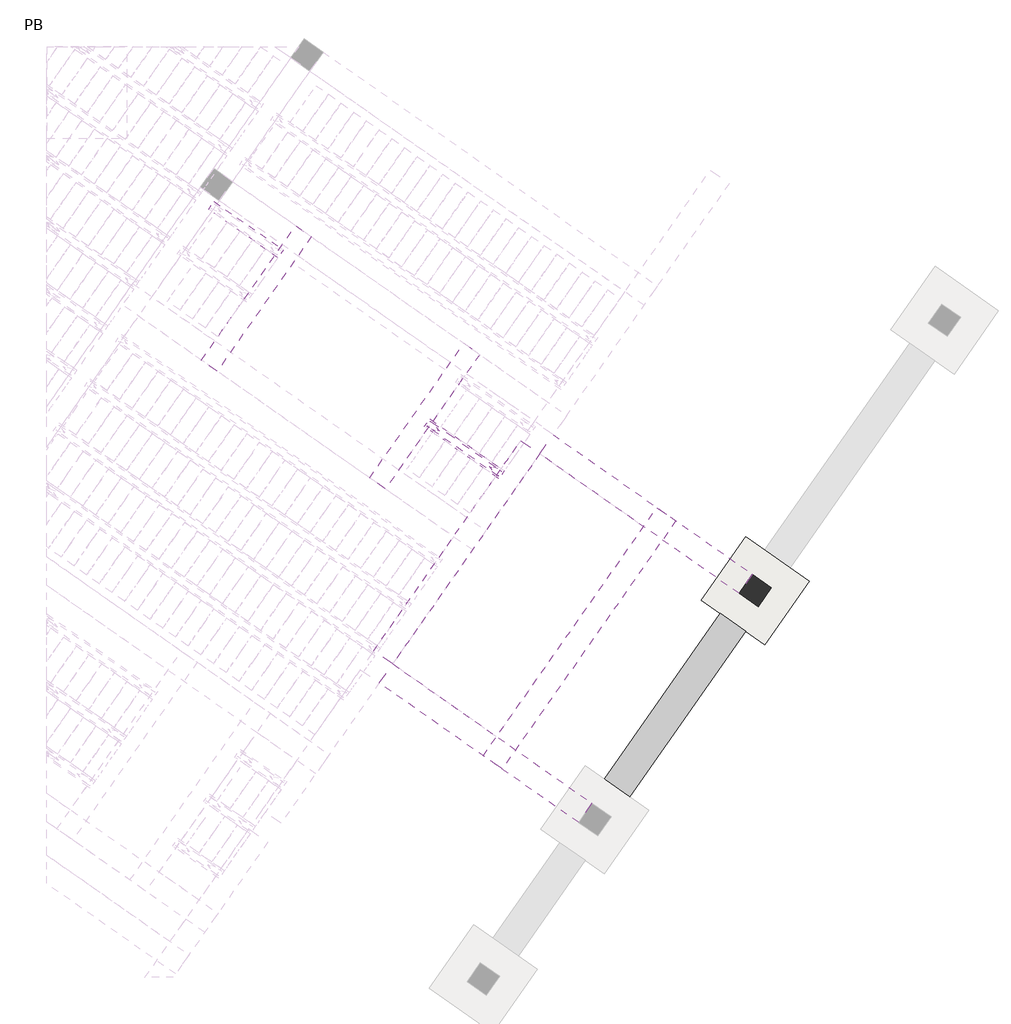
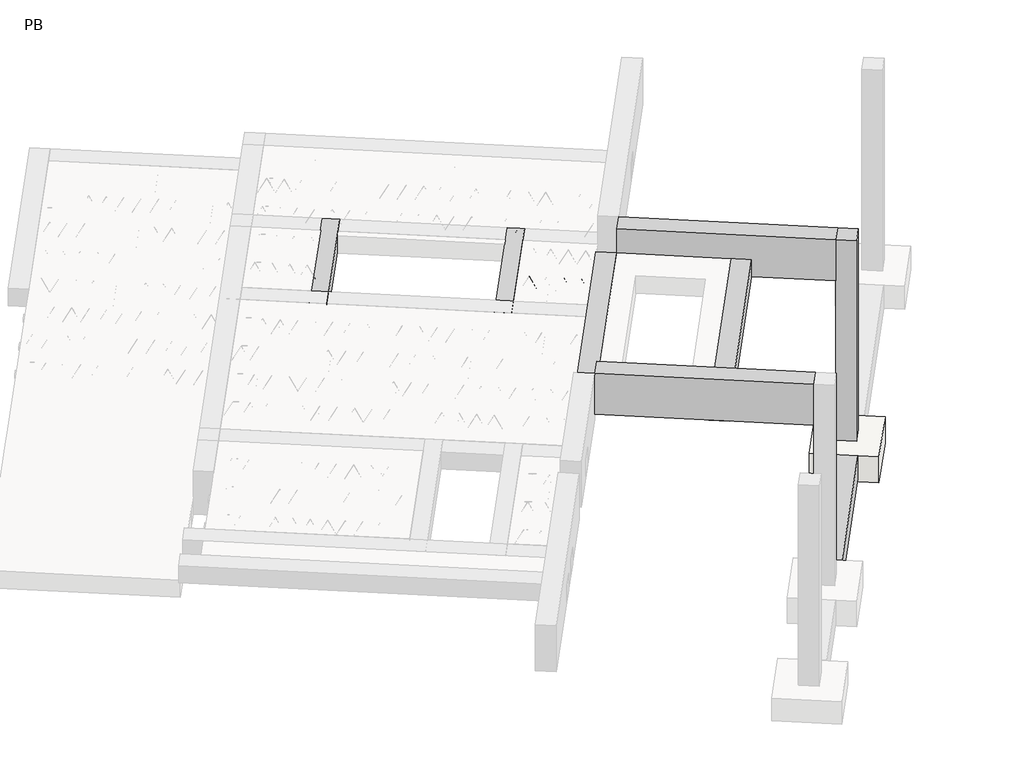
# One storey, part 42 of 56: 12 beams, 1 column, 1 footing.
"""IFC4 building model written with IfcOpenShell, lengths in millimetres."""

from ifc_helpers import new_model, si_unit, point, frame, origin, origin_2d, place, context, project, spatial, polyline, circle_curve, trimmed, segment, composite_curve, outline, extrude, element, save

model = new_model("IFC4")

# Units and contexts
model_context = context("Model", 3, world=origin())
ifc_project = project(units=[si_unit("LENGTHUNIT", "METRE", prefix="MILLI")], contexts=[model_context])

# Site, building, storey
site = spatial("IfcSite", under=ifc_project)
building = spatial("IfcBuilding", under=site)
storey = spatial("IfcBuildingStorey", under=building, Name="PB", Elevation=95940.0)

# Beams
placement = place(None, origin())
element("IfcBeam", 1, at=placement, inside=storey, context=model_context, shape_type="SweptSolid", body=[
    extrude(outline(polyline([(11166.0591227, -378.8143118), (10838.398305, -149.3837372), (12335.432804, 1988.6030983), (12663.0936217, 1759.1725237), (11166.0591227, -378.8143118)])), frame((0.0, 0.0, 96120.0), z_axis=(0.0, 0.0, 1.0), x_axis=(1.0, 0.0, 0.0)), (0.0, 0.0, 1.0), 400.0),
])
element("IfcBeam", 2, at=placement, inside=storey, context=model_context, shape_type="SweptSolid", body=[
    extrude(outline(polyline([(5728.764363, 7207.9389843), (5797.5935353, 7306.2372296), (6692.7092086, 6679.4704875), (6623.8800363, 6581.1722422), (5728.764363, 7207.9389843)])), frame((0.0, 0.0, 99220.0), z_axis=(0.0, 0.0, 1.0), x_axis=(1.0, 0.0, 0.0)), (0.0, 0.0, 1.0), 50.0),
    extrude(outline(composite_curve([segment(trimmed(circle_curve(origin_2d(), 2.5), [point((-2.5, 0.0))], [point((2.5000001, 0.0))], False, "CARTESIAN"), True, "CONTINUOUS"), segment(trimmed(circle_curve(origin_2d(), 2.5), [point((2.5000001, 0.0))], [point((-2.5, 0.0))], False, "CARTESIAN"), True, "CONTINUOUS")], self_intersect=False)), frame((6617.9862217, 6614.5977257, 99245.0), z_axis=(-0.8191520442696126, 0.5735764363787226, 0.0), x_axis=(0.5735764363787226, 0.8191520442696126, 0.0)), (0.0, 0.0, 1.0), 1044.734468),
    extrude(outline(composite_curve([segment(trimmed(circle_curve(origin_2d(), 2.5), [point((-2.5, 0.0))], [point((2.5000001, 0.0))], False, "CARTESIAN"), True, "CONTINUOUS"), segment(trimmed(circle_curve(origin_2d(), 2.5), [point((2.5000001, 0.0))], [point((-2.5, 0.0))], False, "CARTESIAN"), True, "CONTINUOUS")], self_intersect=False)), frame((6558.8764045, 6699.9347505, 99470.0), z_axis=(-0.8191520442696126, 0.5735764363787226, 0.0), x_axis=(0.5735764363787226, 0.8191520442696126, 0.0)), (0.0, 0.0, 1.0), 850.0),
    extrude(outline(composite_curve([segment(trimmed(circle_curve(origin_2d(), 2.5), [point((-2.5, 0.0))], [point((2.5, 0.0))], False, "CARTESIAN"), True, "CONTINUOUS"), segment(trimmed(circle_curve(origin_2d(), 2.5), [point((2.5, 0.0))], [point((-2.5, 0.0))], False, "CARTESIAN"), True, "CONTINUOUS")], self_intersect=False)), frame((6599.6640561, 6627.4270442, 99245.0), z_axis=(-0.3145304735701046, 0.38933448886848654, 0.8657304643902053), x_axis=(0.7778747638402499, 0.6284193279813057, 0.0)), (0.0, 0.0, 1.0), 259.8961331),
    extrude(outline(composite_curve([segment(trimmed(circle_curve(origin_2d(), 2.5), [point((2.5, 0.0))], [point((-2.5, 0.0))], False, "CARTESIAN"), True, "CONTINUOUS"), segment(trimmed(circle_curve(origin_2d(), 2.5), [point((-2.5, 0.0))], [point((2.5, 0.0))], False, "CARTESIAN"), True, "CONTINUOUS")], self_intersect=False)), frame((6394.876045, 6770.8211533, 99245.0), z_axis=(0.47343050384693375, -0.16240172737369005, 0.8657304643902051), x_axis=(-0.3244721671091268, -0.9458952440791246, 0.0)), (0.0, 0.0, 1.0), 259.8961331),
    extrude(outline(composite_curve([segment(trimmed(circle_curve(origin_2d(), 2.5), [point((-2.5, 0.0))], [point((2.5, 0.0))], False, "CARTESIAN"), True, "CONTINUOUS"), segment(trimmed(circle_curve(origin_2d(), 2.5), [point((2.5, 0.0))], [point((-2.5, 0.0))], False, "CARTESIAN"), True, "CONTINUOUS")], self_intersect=False)), frame((6394.876045, 6770.8211533, 99245.0), z_axis=(-0.3145304735701046, 0.38933448886848654, 0.8657304643902053), x_axis=(0.7778747638402499, 0.6284193279813057, 0.0)), (0.0, 0.0, 1.0), 259.8961331),
    extrude(outline(composite_curve([segment(trimmed(circle_curve(origin_2d(), 2.5), [point((2.5, 0.0))], [point((-2.5, 1e-07))], False, "CARTESIAN"), True, "CONTINUOUS"), segment(trimmed(circle_curve(origin_2d(), 2.5), [point((-2.5, 1e-07))], [point((2.5, 0.0))], False, "CARTESIAN"), True, "CONTINUOUS")], self_intersect=False)), frame((6190.0880339, 6914.2152624, 99245.0), z_axis=(0.47343050384693375, -0.16240172737369005, 0.8657304643902051), x_axis=(-0.3244721671091268, -0.9458952440791246, 0.0)), (0.0, 0.0, 1.0), 259.8961331),
    extrude(outline(composite_curve([segment(trimmed(circle_curve(origin_2d(), 2.5), [point((-2.5, 0.0))], [point((2.5, 0.0))], False, "CARTESIAN"), True, "CONTINUOUS"), segment(trimmed(circle_curve(origin_2d(), 2.5), [point((2.5, 0.0))], [point((-2.5, 0.0))], False, "CARTESIAN"), True, "CONTINUOUS")], self_intersect=False)), frame((6190.0880339, 6914.2152624, 99245.0), z_axis=(-0.3145304735701046, 0.38933448886848654, 0.8657304643902053), x_axis=(0.7778747638402499, 0.6284193279813057, 0.0)), (0.0, 0.0, 1.0), 259.8961331),
    extrude(outline(composite_curve([segment(trimmed(circle_curve(origin_2d(), 2.5), [point((2.5, 0.0))], [point((-2.5, 0.0))], False, "CARTESIAN"), True, "CONTINUOUS"), segment(trimmed(circle_curve(origin_2d(), 2.5), [point((-2.5, 0.0))], [point((2.5, 0.0))], False, "CARTESIAN"), True, "CONTINUOUS")], self_intersect=False)), frame((5985.3000229, 7057.6093715, 99245.0), z_axis=(0.47343050384693375, -0.16240172737369005, 0.8657304643902051), x_axis=(-0.3244721671091268, -0.9458952440791246, 0.0)), (0.0, 0.0, 1.0), 259.8961331),
    extrude(outline(composite_curve([segment(trimmed(circle_curve(origin_2d(), 2.5), [point((-2.5, 0.0))], [point((2.5, 0.0))], False, "CARTESIAN"), True, "CONTINUOUS"), segment(trimmed(circle_curve(origin_2d(), 2.5), [point((2.5, 0.0))], [point((-2.5, 0.0))], False, "CARTESIAN"), True, "CONTINUOUS")], self_intersect=False)), frame((5985.3000229, 7057.6093715, 99245.0), z_axis=(-0.3145304735701046, 0.38933448886848654, 0.8657304643902053), x_axis=(0.7778747638402499, 0.6284193279813057, 0.0)), (0.0, 0.0, 1.0), 259.8961331),
    extrude(outline(composite_curve([segment(trimmed(circle_curve(origin_2d(), 2.5), [point((2.5, 0.0))], [point((-2.5, 0.0))], False, "CARTESIAN"), True, "CONTINUOUS"), segment(trimmed(circle_curve(origin_2d(), 2.5), [point((-2.5, 0.0))], [point((2.5, 0.0))], False, "CARTESIAN"), True, "CONTINUOUS")], self_intersect=False)), frame((5780.5120118, 7201.0034806, 99245.0), z_axis=(0.47343050384693375, -0.16240172737369005, 0.8657304643902051), x_axis=(-0.3244721671091268, -0.9458952440791246, 0.0)), (0.0, 0.0, 1.0), 259.8961331),
    extrude(outline(composite_curve([segment(trimmed(circle_curve(origin_2d(), 2.5), [point((-2.5, 0.0))], [point((2.5, 0.0))], False, "CARTESIAN"), True, "CONTINUOUS"), segment(trimmed(circle_curve(origin_2d(), 2.5), [point((2.5, 0.0))], [point((-2.5, 0.0))], False, "CARTESIAN"), True, "CONTINUOUS")], self_intersect=False)), frame((6659.2837251, 6673.5766729, 99245.0), z_axis=(-0.8191520442696126, 0.5735764363787226, 0.0), x_axis=(0.5735764363787226, 0.8191520442696126, 0.0)), (0.0, 0.0, 1.0), 1044.734468),
    extrude(outline(composite_curve([segment(trimmed(circle_curve(origin_2d(), 2.5), [point((-2.5, 0.0))], [point((2.5, 0.0))], False, "CARTESIAN"), True, "CONTINUOUS"), segment(trimmed(circle_curve(origin_2d(), 2.5), [point((2.5, 0.0))], [point((-2.5, 0.0))], False, "CARTESIAN"), True, "CONTINUOUS")], self_intersect=False)), frame((6640.9615595, 6686.4059914, 99245.0), z_axis=(-0.47343050384693375, 0.16240172737369005, 0.8657304643902051), x_axis=(0.3244721671091268, 0.9458952440791246, 0.0)), (0.0, 0.0, 1.0), 259.8961331),
    extrude(outline(composite_curve([segment(trimmed(circle_curve(origin_2d(), 2.5), [point((2.5, 0.0))], [point((-2.5, 0.0))], False, "CARTESIAN"), True, "CONTINUOUS"), segment(trimmed(circle_curve(origin_2d(), 2.5), [point((-2.5, 0.0))], [point((2.5, 0.0))], False, "CARTESIAN"), True, "CONTINUOUS")], self_intersect=False)), frame((6436.1735484, 6829.8001005, 99245.0), z_axis=(0.3145304735701046, -0.38933448886848654, 0.8657304643902053), x_axis=(-0.7778747638402499, -0.6284193279813057, 0.0)), (0.0, 0.0, 1.0), 259.8961331),
    extrude(outline(composite_curve([segment(trimmed(circle_curve(origin_2d(), 2.5), [point((-2.5, 0.0))], [point((2.5, 0.0))], False, "CARTESIAN"), True, "CONTINUOUS"), segment(trimmed(circle_curve(origin_2d(), 2.5), [point((2.5, 0.0))], [point((-2.5, 0.0))], False, "CARTESIAN"), True, "CONTINUOUS")], self_intersect=False)), frame((6436.1735484, 6829.8001005, 99245.0), z_axis=(-0.47343050384693375, 0.16240172737369005, 0.8657304643902051), x_axis=(0.3244721671091268, 0.9458952440791246, 0.0)), (0.0, 0.0, 1.0), 259.8961331),
    extrude(outline(composite_curve([segment(trimmed(circle_curve(origin_2d(), 2.5), [point((2.5000001, -1e-07))], [point((-2.5, 0.0))], False, "CARTESIAN"), True, "CONTINUOUS"), segment(trimmed(circle_curve(origin_2d(), 2.5), [point((-2.5, 0.0))], [point((2.5000001, -1e-07))], False, "CARTESIAN"), True, "CONTINUOUS")], self_intersect=False)), frame((6231.3855374, 6973.1942096, 99245.0), z_axis=(0.3145304735701046, -0.38933448886848654, 0.8657304643902053), x_axis=(-0.7778747638402499, -0.6284193279813057, 0.0)), (0.0, 0.0, 1.0), 259.8961331),
    extrude(outline(composite_curve([segment(trimmed(circle_curve(origin_2d(), 2.5), [point((-2.5, 1e-07))], [point((2.5, 0.0))], False, "CARTESIAN"), True, "CONTINUOUS"), segment(trimmed(circle_curve(origin_2d(), 2.5), [point((2.5, 0.0))], [point((-2.5, 1e-07))], False, "CARTESIAN"), True, "CONTINUOUS")], self_intersect=False)), frame((6231.3855374, 6973.1942096, 99245.0), z_axis=(-0.47343050384693375, 0.16240172737369005, 0.8657304643902051), x_axis=(0.3244721671091268, 0.9458952440791246, 0.0)), (0.0, 0.0, 1.0), 259.8961331),
    extrude(outline(composite_curve([segment(trimmed(circle_curve(origin_2d(), 2.5), [point((2.5, 0.0))], [point((-2.5, 0.0))], False, "CARTESIAN"), True, "CONTINUOUS"), segment(trimmed(circle_curve(origin_2d(), 2.5), [point((-2.5, 0.0))], [point((2.5, 0.0))], False, "CARTESIAN"), True, "CONTINUOUS")], self_intersect=False)), frame((6026.5975263, 7116.5883187, 99245.0), z_axis=(0.3145304735701046, -0.38933448886848654, 0.8657304643902053), x_axis=(-0.7778747638402499, -0.6284193279813057, 0.0)), (0.0, 0.0, 1.0), 259.8961331),
    extrude(outline(composite_curve([segment(trimmed(circle_curve(origin_2d(), 2.5), [point((-2.5, 0.0))], [point((2.5, 0.0))], False, "CARTESIAN"), True, "CONTINUOUS"), segment(trimmed(circle_curve(origin_2d(), 2.5), [point((2.5, 0.0))], [point((-2.5, 0.0))], False, "CARTESIAN"), True, "CONTINUOUS")], self_intersect=False)), frame((6026.5975263, 7116.5883187, 99245.0), z_axis=(-0.47343050384693375, 0.16240172737369005, 0.8657304643902051), x_axis=(0.3244721671091268, 0.9458952440791246, 0.0)), (0.0, 0.0, 1.0), 259.8961331),
    extrude(outline(composite_curve([segment(trimmed(circle_curve(origin_2d(), 2.5), [point((2.5, 0.0))], [point((-2.5, 0.0))], False, "CARTESIAN"), True, "CONTINUOUS"), segment(trimmed(circle_curve(origin_2d(), 2.5), [point((-2.5, 0.0))], [point((2.5, 0.0))], False, "CARTESIAN"), True, "CONTINUOUS")], self_intersect=False)), frame((5821.8095152, 7259.9824278, 99245.0), z_axis=(0.3145304735701046, -0.38933448886848654, 0.8657304643902053), x_axis=(-0.7778747638402499, -0.6284193279813057, 0.0)), (0.0, 0.0, 1.0), 259.8961331),
])
element("IfcBeam", 3, at=placement, inside=storey, context=model_context, shape_type="SweptSolid", body=[
    extrude(outline(polyline([(8516.0022556, 4401.7517888), (8584.831428, 4500.0500341), (9545.548973, 3827.3483669), (9476.7198006, 3729.0501216), (8516.0022556, 4401.7517888)])), frame((0.0, 0.0, 99220.0), z_axis=(0.0, 0.0, 1.0), x_axis=(1.0, 0.0, 0.0)), (0.0, 0.0, 1.0), 50.0),
])
element("IfcBeam", 4, at=placement, inside=storey, context=model_context, shape_type="SweptSolid", body=[
    extrude(outline(composite_curve([segment(trimmed(circle_curve(origin_2d(), 2.5), [point((-2.4999999, 0.0))], [point((2.5, 0.0))], False, "CARTESIAN"), True, "CONTINUOUS"), segment(trimmed(circle_curve(origin_2d(), 2.5), [point((2.5, 0.0))], [point((-2.4999999, 0.0))], False, "CARTESIAN"), True, "CONTINUOUS")], self_intersect=False)), frame((9470.825986, 3762.4756051, 99245.0), z_axis=(-0.8191520442696126, 0.5735764363787226, 0.0), x_axis=(0.5735764363787226, 0.8191520442696126, 0.0)), (0.0, 0.0, 1.0), 1124.819566),
    extrude(outline(composite_curve([segment(trimmed(circle_curve(origin_2d(), 2.5), [point((-2.4999999, 0.0))], [point((2.5, 0.0))], False, "CARTESIAN"), True, "CONTINUOUS"), segment(trimmed(circle_curve(origin_2d(), 2.5), [point((2.5, 0.0))], [point((-2.4999999, 0.0))], False, "CARTESIAN"), True, "CONTINUOUS")], self_intersect=False)), frame((9378.9152329, 3870.7800925, 99470.0), z_axis=(-0.8191520442696126, 0.5735764363787226, 0.0), x_axis=(0.5735764363787226, 0.8191520442696126, 0.0)), (0.0, 0.0, 1.0), 850.0),
    extrude(outline(composite_curve([segment(trimmed(circle_curve(origin_2d(), 2.5), [point((-2.5, -1e-07))], [point((2.5, 0.0))], False, "CARTESIAN"), True, "CONTINUOUS"), segment(trimmed(circle_curve(origin_2d(), 2.5), [point((2.5, 0.0))], [point((-2.5, -1e-07))], False, "CARTESIAN"), True, "CONTINUOUS")], self_intersect=False)), frame((9419.7028846, 3798.2723862, 99245.0), z_axis=(-0.3145304735701046, 0.38933448886848654, 0.8657304643902053), x_axis=(0.7778747638402499, 0.6284193279813057, 0.0)), (0.0, 0.0, 1.0), 259.8961331),
    extrude(outline(composite_curve([segment(trimmed(circle_curve(origin_2d(), 2.5), [point((2.5, 0.0))], [point((-2.5, 0.0))], False, "CARTESIAN"), True, "CONTINUOUS"), segment(trimmed(circle_curve(origin_2d(), 2.5), [point((-2.5, 0.0))], [point((2.5, 0.0))], False, "CARTESIAN"), True, "CONTINUOUS")], self_intersect=False)), frame((9214.9148735, 3941.6664953, 99245.0), z_axis=(0.47343050384693375, -0.16240172737369005, 0.8657304643902051), x_axis=(-0.3244721671091268, -0.9458952440791246, 0.0)), (0.0, 0.0, 1.0), 259.8961331),
    extrude(outline(composite_curve([segment(trimmed(circle_curve(origin_2d(), 2.5), [point((-2.5, 0.0))], [point((2.5, 0.0))], False, "CARTESIAN"), True, "CONTINUOUS"), segment(trimmed(circle_curve(origin_2d(), 2.5), [point((2.5, 0.0))], [point((-2.5, 0.0))], False, "CARTESIAN"), True, "CONTINUOUS")], self_intersect=False)), frame((9214.9148735, 3941.6664953, 99245.0), z_axis=(-0.3145304735701046, 0.38933448886848654, 0.8657304643902053), x_axis=(0.7778747638402499, 0.6284193279813057, 0.0)), (0.0, 0.0, 1.0), 259.8961331),
    extrude(outline(composite_curve([segment(trimmed(circle_curve(origin_2d(), 2.5), [point((2.5, 0.0))], [point((-2.5, 0.0))], False, "CARTESIAN"), True, "CONTINUOUS"), segment(trimmed(circle_curve(origin_2d(), 2.5), [point((-2.5, 0.0))], [point((2.5, 0.0))], False, "CARTESIAN"), True, "CONTINUOUS")], self_intersect=False)), frame((9010.1268624, 4085.0606044, 99245.0), z_axis=(0.47343050384693375, -0.16240172737369005, 0.8657304643902051), x_axis=(-0.3244721671091268, -0.9458952440791246, 0.0)), (0.0, 0.0, 1.0), 259.8961331),
    extrude(outline(composite_curve([segment(trimmed(circle_curve(origin_2d(), 2.5), [point((-2.5, -1e-07))], [point((2.5, 0.0))], False, "CARTESIAN"), True, "CONTINUOUS"), segment(trimmed(circle_curve(origin_2d(), 2.5), [point((2.5, 0.0))], [point((-2.5, -1e-07))], False, "CARTESIAN"), True, "CONTINUOUS")], self_intersect=False)), frame((9010.1268624, 4085.0606044, 99245.0), z_axis=(-0.3145304735701046, 0.38933448886848654, 0.8657304643902053), x_axis=(0.7778747638402499, 0.6284193279813057, 0.0)), (0.0, 0.0, 1.0), 259.8961331),
    extrude(outline(composite_curve([segment(trimmed(circle_curve(origin_2d(), 2.5), [point((2.5, -1e-07))], [point((-2.5, 0.0))], False, "CARTESIAN"), True, "CONTINUOUS"), segment(trimmed(circle_curve(origin_2d(), 2.5), [point((-2.5, 0.0))], [point((2.5, -1e-07))], False, "CARTESIAN"), True, "CONTINUOUS")], self_intersect=False)), frame((8805.3388514, 4228.4547135, 99245.0), z_axis=(0.47343050384693375, -0.16240172737369005, 0.8657304643902051), x_axis=(-0.3244721671091268, -0.9458952440791246, 0.0)), (0.0, 0.0, 1.0), 259.8961331),
    extrude(outline(composite_curve([segment(trimmed(circle_curve(origin_2d(), 2.5), [point((-2.5000001, 0.0))], [point((2.5, 0.0))], False, "CARTESIAN"), True, "CONTINUOUS"), segment(trimmed(circle_curve(origin_2d(), 2.5), [point((2.5, 0.0))], [point((-2.5000001, 0.0))], False, "CARTESIAN"), True, "CONTINUOUS")], self_intersect=False)), frame((8805.3388514, 4228.4547135, 99245.0), z_axis=(-0.3145304735701046, 0.38933448886848654, 0.8657304643902053), x_axis=(0.7778747638402499, 0.6284193279813057, 0.0)), (0.0, 0.0, 1.0), 259.8961331),
    extrude(outline(composite_curve([segment(trimmed(circle_curve(origin_2d(), 2.5), [point((2.5000001, 0.0))], [point((-2.5, 0.0))], False, "CARTESIAN"), True, "CONTINUOUS"), segment(trimmed(circle_curve(origin_2d(), 2.5), [point((-2.5, 0.0))], [point((2.5000001, 0.0))], False, "CARTESIAN"), True, "CONTINUOUS")], self_intersect=False)), frame((8600.5508403, 4371.8488226, 99245.0), z_axis=(0.47343050384693375, -0.16240172737369005, 0.8657304643902051), x_axis=(-0.3244721671091268, -0.9458952440791246, 0.0)), (0.0, 0.0, 1.0), 259.8961331),
    extrude(outline(composite_curve([segment(trimmed(circle_curve(origin_2d(), 2.5), [point((-2.5, 0.0))], [point((2.5, 0.0))], False, "CARTESIAN"), True, "CONTINUOUS"), segment(trimmed(circle_curve(origin_2d(), 2.5), [point((2.5, 0.0))], [point((-2.5, 0.0))], False, "CARTESIAN"), True, "CONTINUOUS")], self_intersect=False)), frame((9512.1234895, 3821.4545523, 99245.0), z_axis=(-0.8191520442696126, 0.5735764363787226, 0.0), x_axis=(0.5735764363787226, 0.8191520442696126, 0.0)), (0.0, 0.0, 1.0), 1124.819566),
    extrude(outline(composite_curve([segment(trimmed(circle_curve(origin_2d(), 2.5), [point((-2.5000001, 0.0))], [point((2.5, 0.0))], False, "CARTESIAN"), True, "CONTINUOUS"), segment(trimmed(circle_curve(origin_2d(), 2.5), [point((2.5, 0.0))], [point((-2.5000001, 0.0))], False, "CARTESIAN"), True, "CONTINUOUS")], self_intersect=False)), frame((9461.000388, 3857.2513334, 99245.0), z_axis=(-0.47343050384693375, 0.16240172737369005, 0.8657304643902051), x_axis=(0.3244721671091268, 0.9458952440791246, 0.0)), (0.0, 0.0, 1.0), 259.8961331),
    extrude(outline(composite_curve([segment(trimmed(circle_curve(origin_2d(), 2.5), [point((2.5, 1e-07))], [point((-2.5, 0.0))], False, "CARTESIAN"), True, "CONTINUOUS"), segment(trimmed(circle_curve(origin_2d(), 2.5), [point((-2.5, 0.0))], [point((2.5, 1e-07))], False, "CARTESIAN"), True, "CONTINUOUS")], self_intersect=False)), frame((9256.2123769, 4000.6454425, 99245.0), z_axis=(0.3145304735701046, -0.38933448886848654, 0.8657304643902053), x_axis=(-0.7778747638402499, -0.6284193279813057, 0.0)), (0.0, 0.0, 1.0), 259.8961331),
    extrude(outline(composite_curve([segment(trimmed(circle_curve(origin_2d(), 2.5), [point((-2.5, 0.0))], [point((2.5, 0.0))], False, "CARTESIAN"), True, "CONTINUOUS"), segment(trimmed(circle_curve(origin_2d(), 2.5), [point((2.5, 0.0))], [point((-2.5, 0.0))], False, "CARTESIAN"), True, "CONTINUOUS")], self_intersect=False)), frame((9256.2123769, 4000.6454425, 99245.0), z_axis=(-0.47343050384693375, 0.16240172737369005, 0.8657304643902051), x_axis=(0.3244721671091268, 0.9458952440791246, 0.0)), (0.0, 0.0, 1.0), 259.8961331),
    extrude(outline(composite_curve([segment(trimmed(circle_curve(origin_2d(), 2.5), [point((2.5, 1e-07))], [point((-2.5000001, 1e-07))], False, "CARTESIAN"), True, "CONTINUOUS"), segment(trimmed(circle_curve(origin_2d(), 2.5), [point((-2.5000001, 1e-07))], [point((2.5, 1e-07))], False, "CARTESIAN"), True, "CONTINUOUS")], self_intersect=False)), frame((9051.4243658, 4144.0395516, 99245.0), z_axis=(0.3145304735701046, -0.38933448886848654, 0.8657304643902053), x_axis=(-0.7778747638402499, -0.6284193279813057, 0.0)), (0.0, 0.0, 1.0), 259.8961331),
    extrude(outline(composite_curve([segment(trimmed(circle_curve(origin_2d(), 2.5), [point((-2.5000001, 0.0))], [point((2.5, -1e-07))], False, "CARTESIAN"), True, "CONTINUOUS"), segment(trimmed(circle_curve(origin_2d(), 2.5), [point((2.5, -1e-07))], [point((-2.5000001, 0.0))], False, "CARTESIAN"), True, "CONTINUOUS")], self_intersect=False)), frame((9051.4243658, 4144.0395516, 99245.0), z_axis=(-0.47343050384693375, 0.16240172737369005, 0.8657304643902051), x_axis=(0.3244721671091268, 0.9458952440791246, 0.0)), (0.0, 0.0, 1.0), 259.8961331),
    extrude(outline(composite_curve([segment(trimmed(circle_curve(origin_2d(), 2.5), [point((2.5, 1e-07))], [point((-2.5, 0.0))], False, "CARTESIAN"), True, "CONTINUOUS"), segment(trimmed(circle_curve(origin_2d(), 2.5), [point((-2.5, 0.0))], [point((2.5, 1e-07))], False, "CARTESIAN"), True, "CONTINUOUS")], self_intersect=False)), frame((8846.6363548, 4287.4336607, 99245.0), z_axis=(0.3145304735701046, -0.38933448886848654, 0.8657304643902053), x_axis=(-0.7778747638402499, -0.6284193279813057, 0.0)), (0.0, 0.0, 1.0), 259.8961331),
    extrude(outline(composite_curve([segment(trimmed(circle_curve(origin_2d(), 2.5), [point((-2.5000001, 0.0))], [point((2.5, 0.0))], False, "CARTESIAN"), True, "CONTINUOUS"), segment(trimmed(circle_curve(origin_2d(), 2.5), [point((2.5, 0.0))], [point((-2.5000001, 0.0))], False, "CARTESIAN"), True, "CONTINUOUS")], self_intersect=False)), frame((8846.6363548, 4287.4336607, 99245.0), z_axis=(-0.47343050384693375, 0.16240172737369005, 0.8657304643902051), x_axis=(0.3244721671091268, 0.9458952440791246, 0.0)), (0.0, 0.0, 1.0), 259.8961331),
    extrude(outline(composite_curve([segment(trimmed(circle_curve(origin_2d(), 2.5), [point((2.5, 0.0))], [point((-2.5, -1e-07))], False, "CARTESIAN"), True, "CONTINUOUS"), segment(trimmed(circle_curve(origin_2d(), 2.5), [point((-2.5, -1e-07))], [point((2.5, 0.0))], False, "CARTESIAN"), True, "CONTINUOUS")], self_intersect=False)), frame((8641.8483437, 4430.8277697, 99245.0), z_axis=(0.3145304735701046, -0.38933448886848654, 0.8657304643902053), x_axis=(-0.7778747638402499, -0.6284193279813057, 0.0)), (0.0, 0.0, 1.0), 259.8961331),
])
element("IfcBeam", 5, at=placement, inside=storey, context=model_context, shape_type="SweptSolid", body=[
    extrude(outline(polyline([(8516.0022556, 4401.7517888), (8584.831428, 4500.0500341), (9545.548973, 3827.3483669), (9476.7198006, 3729.0501216), (8516.0022556, 4401.7517888)])), frame((0.0, 0.0, 99220.0), z_axis=(0.0, 0.0, 1.0), x_axis=(1.0, 0.0, 0.0)), (0.0, 0.0, 1.0), 50.0),
    extrude(outline(composite_curve([segment(trimmed(circle_curve(origin_2d(), 2.5), [point((-2.4999999, 0.0))], [point((2.5, 0.0))], False, "CARTESIAN"), True, "CONTINUOUS"), segment(trimmed(circle_curve(origin_2d(), 2.5), [point((2.5, 0.0))], [point((-2.4999999, 0.0))], False, "CARTESIAN"), True, "CONTINUOUS")], self_intersect=False)), frame((9470.825986, 3762.4756051, 99245.0), z_axis=(-0.8191520442696126, 0.5735764363787226, 0.0), x_axis=(0.5735764363787226, 0.8191520442696126, 0.0)), (0.0, 0.0, 1.0), 1124.819566),
    extrude(outline(composite_curve([segment(trimmed(circle_curve(origin_2d(), 2.5), [point((-2.4999999, 0.0))], [point((2.5, 0.0))], False, "CARTESIAN"), True, "CONTINUOUS"), segment(trimmed(circle_curve(origin_2d(), 2.5), [point((2.5, 0.0))], [point((-2.4999999, 0.0))], False, "CARTESIAN"), True, "CONTINUOUS")], self_intersect=False)), frame((9378.9152329, 3870.7800925, 99470.0), z_axis=(-0.8191520442696126, 0.5735764363787226, 0.0), x_axis=(0.5735764363787226, 0.8191520442696126, 0.0)), (0.0, 0.0, 1.0), 850.0),
    extrude(outline(composite_curve([segment(trimmed(circle_curve(origin_2d(), 2.5), [point((-2.5, -1e-07))], [point((2.5, 0.0))], False, "CARTESIAN"), True, "CONTINUOUS"), segment(trimmed(circle_curve(origin_2d(), 2.5), [point((2.5, 0.0))], [point((-2.5, -1e-07))], False, "CARTESIAN"), True, "CONTINUOUS")], self_intersect=False)), frame((9419.7028846, 3798.2723862, 99245.0), z_axis=(-0.3145304735701046, 0.38933448886848654, 0.8657304643902053), x_axis=(0.7778747638402499, 0.6284193279813057, 0.0)), (0.0, 0.0, 1.0), 259.8961331),
    extrude(outline(composite_curve([segment(trimmed(circle_curve(origin_2d(), 2.5), [point((2.5, 0.0))], [point((-2.5, 0.0))], False, "CARTESIAN"), True, "CONTINUOUS"), segment(trimmed(circle_curve(origin_2d(), 2.5), [point((-2.5, 0.0))], [point((2.5, 0.0))], False, "CARTESIAN"), True, "CONTINUOUS")], self_intersect=False)), frame((9214.9148735, 3941.6664953, 99245.0), z_axis=(0.47343050384693375, -0.16240172737369005, 0.8657304643902051), x_axis=(-0.3244721671091268, -0.9458952440791246, 0.0)), (0.0, 0.0, 1.0), 259.8961331),
    extrude(outline(composite_curve([segment(trimmed(circle_curve(origin_2d(), 2.5), [point((-2.5, 0.0))], [point((2.5, 0.0))], False, "CARTESIAN"), True, "CONTINUOUS"), segment(trimmed(circle_curve(origin_2d(), 2.5), [point((2.5, 0.0))], [point((-2.5, 0.0))], False, "CARTESIAN"), True, "CONTINUOUS")], self_intersect=False)), frame((9214.9148735, 3941.6664953, 99245.0), z_axis=(-0.3145304735701046, 0.38933448886848654, 0.8657304643902053), x_axis=(0.7778747638402499, 0.6284193279813057, 0.0)), (0.0, 0.0, 1.0), 259.8961331),
    extrude(outline(composite_curve([segment(trimmed(circle_curve(origin_2d(), 2.5), [point((2.5, 0.0))], [point((-2.5, 0.0))], False, "CARTESIAN"), True, "CONTINUOUS"), segment(trimmed(circle_curve(origin_2d(), 2.5), [point((-2.5, 0.0))], [point((2.5, 0.0))], False, "CARTESIAN"), True, "CONTINUOUS")], self_intersect=False)), frame((9010.1268624, 4085.0606044, 99245.0), z_axis=(0.47343050384693375, -0.16240172737369005, 0.8657304643902051), x_axis=(-0.3244721671091268, -0.9458952440791246, 0.0)), (0.0, 0.0, 1.0), 259.8961331),
    extrude(outline(composite_curve([segment(trimmed(circle_curve(origin_2d(), 2.5), [point((-2.5, -1e-07))], [point((2.5, 0.0))], False, "CARTESIAN"), True, "CONTINUOUS"), segment(trimmed(circle_curve(origin_2d(), 2.5), [point((2.5, 0.0))], [point((-2.5, -1e-07))], False, "CARTESIAN"), True, "CONTINUOUS")], self_intersect=False)), frame((9010.1268624, 4085.0606044, 99245.0), z_axis=(-0.3145304735701046, 0.38933448886848654, 0.8657304643902053), x_axis=(0.7778747638402499, 0.6284193279813057, 0.0)), (0.0, 0.0, 1.0), 259.8961331),
    extrude(outline(composite_curve([segment(trimmed(circle_curve(origin_2d(), 2.5), [point((2.5, -1e-07))], [point((-2.5, 0.0))], False, "CARTESIAN"), True, "CONTINUOUS"), segment(trimmed(circle_curve(origin_2d(), 2.5), [point((-2.5, 0.0))], [point((2.5, -1e-07))], False, "CARTESIAN"), True, "CONTINUOUS")], self_intersect=False)), frame((8805.3388514, 4228.4547135, 99245.0), z_axis=(0.47343050384693375, -0.16240172737369005, 0.8657304643902051), x_axis=(-0.3244721671091268, -0.9458952440791246, 0.0)), (0.0, 0.0, 1.0), 259.8961331),
    extrude(outline(composite_curve([segment(trimmed(circle_curve(origin_2d(), 2.5), [point((-2.5000001, 0.0))], [point((2.5, 0.0))], False, "CARTESIAN"), True, "CONTINUOUS"), segment(trimmed(circle_curve(origin_2d(), 2.5), [point((2.5, 0.0))], [point((-2.5000001, 0.0))], False, "CARTESIAN"), True, "CONTINUOUS")], self_intersect=False)), frame((8805.3388514, 4228.4547135, 99245.0), z_axis=(-0.3145304735701046, 0.38933448886848654, 0.8657304643902053), x_axis=(0.7778747638402499, 0.6284193279813057, 0.0)), (0.0, 0.0, 1.0), 259.8961331),
    extrude(outline(composite_curve([segment(trimmed(circle_curve(origin_2d(), 2.5), [point((2.5000001, 0.0))], [point((-2.5, 0.0))], False, "CARTESIAN"), True, "CONTINUOUS"), segment(trimmed(circle_curve(origin_2d(), 2.5), [point((-2.5, 0.0))], [point((2.5000001, 0.0))], False, "CARTESIAN"), True, "CONTINUOUS")], self_intersect=False)), frame((8600.5508403, 4371.8488226, 99245.0), z_axis=(0.47343050384693375, -0.16240172737369005, 0.8657304643902051), x_axis=(-0.3244721671091268, -0.9458952440791246, 0.0)), (0.0, 0.0, 1.0), 259.8961331),
    extrude(outline(composite_curve([segment(trimmed(circle_curve(origin_2d(), 2.5), [point((-2.5, 0.0))], [point((2.5, 0.0))], False, "CARTESIAN"), True, "CONTINUOUS"), segment(trimmed(circle_curve(origin_2d(), 2.5), [point((2.5, 0.0))], [point((-2.5, 0.0))], False, "CARTESIAN"), True, "CONTINUOUS")], self_intersect=False)), frame((9512.1234895, 3821.4545523, 99245.0), z_axis=(-0.8191520442696126, 0.5735764363787226, 0.0), x_axis=(0.5735764363787226, 0.8191520442696126, 0.0)), (0.0, 0.0, 1.0), 1124.819566),
    extrude(outline(composite_curve([segment(trimmed(circle_curve(origin_2d(), 2.5), [point((-2.5000001, 0.0))], [point((2.5, 0.0))], False, "CARTESIAN"), True, "CONTINUOUS"), segment(trimmed(circle_curve(origin_2d(), 2.5), [point((2.5, 0.0))], [point((-2.5000001, 0.0))], False, "CARTESIAN"), True, "CONTINUOUS")], self_intersect=False)), frame((9461.000388, 3857.2513334, 99245.0), z_axis=(-0.47343050384693375, 0.16240172737369005, 0.8657304643902051), x_axis=(0.3244721671091268, 0.9458952440791246, 0.0)), (0.0, 0.0, 1.0), 259.8961331),
    extrude(outline(composite_curve([segment(trimmed(circle_curve(origin_2d(), 2.5), [point((2.5, 1e-07))], [point((-2.5, 0.0))], False, "CARTESIAN"), True, "CONTINUOUS"), segment(trimmed(circle_curve(origin_2d(), 2.5), [point((-2.5, 0.0))], [point((2.5, 1e-07))], False, "CARTESIAN"), True, "CONTINUOUS")], self_intersect=False)), frame((9256.2123769, 4000.6454425, 99245.0), z_axis=(0.3145304735701046, -0.38933448886848654, 0.8657304643902053), x_axis=(-0.7778747638402499, -0.6284193279813057, 0.0)), (0.0, 0.0, 1.0), 259.8961331),
    extrude(outline(composite_curve([segment(trimmed(circle_curve(origin_2d(), 2.5), [point((-2.5, 0.0))], [point((2.5, 0.0))], False, "CARTESIAN"), True, "CONTINUOUS"), segment(trimmed(circle_curve(origin_2d(), 2.5), [point((2.5, 0.0))], [point((-2.5, 0.0))], False, "CARTESIAN"), True, "CONTINUOUS")], self_intersect=False)), frame((9256.2123769, 4000.6454425, 99245.0), z_axis=(-0.47343050384693375, 0.16240172737369005, 0.8657304643902051), x_axis=(0.3244721671091268, 0.9458952440791246, 0.0)), (0.0, 0.0, 1.0), 259.8961331),
    extrude(outline(composite_curve([segment(trimmed(circle_curve(origin_2d(), 2.5), [point((2.5, 1e-07))], [point((-2.5000001, 1e-07))], False, "CARTESIAN"), True, "CONTINUOUS"), segment(trimmed(circle_curve(origin_2d(), 2.5), [point((-2.5000001, 1e-07))], [point((2.5, 1e-07))], False, "CARTESIAN"), True, "CONTINUOUS")], self_intersect=False)), frame((9051.4243658, 4144.0395516, 99245.0), z_axis=(0.3145304735701046, -0.38933448886848654, 0.8657304643902053), x_axis=(-0.7778747638402499, -0.6284193279813057, 0.0)), (0.0, 0.0, 1.0), 259.8961331),
    extrude(outline(composite_curve([segment(trimmed(circle_curve(origin_2d(), 2.5), [point((-2.5000001, 0.0))], [point((2.5, -1e-07))], False, "CARTESIAN"), True, "CONTINUOUS"), segment(trimmed(circle_curve(origin_2d(), 2.5), [point((2.5, -1e-07))], [point((-2.5000001, 0.0))], False, "CARTESIAN"), True, "CONTINUOUS")], self_intersect=False)), frame((9051.4243658, 4144.0395516, 99245.0), z_axis=(-0.47343050384693375, 0.16240172737369005, 0.8657304643902051), x_axis=(0.3244721671091268, 0.9458952440791246, 0.0)), (0.0, 0.0, 1.0), 259.8961331),
    extrude(outline(composite_curve([segment(trimmed(circle_curve(origin_2d(), 2.5), [point((2.5, 1e-07))], [point((-2.5, 0.0))], False, "CARTESIAN"), True, "CONTINUOUS"), segment(trimmed(circle_curve(origin_2d(), 2.5), [point((-2.5, 0.0))], [point((2.5, 1e-07))], False, "CARTESIAN"), True, "CONTINUOUS")], self_intersect=False)), frame((8846.6363548, 4287.4336607, 99245.0), z_axis=(0.3145304735701046, -0.38933448886848654, 0.8657304643902053), x_axis=(-0.7778747638402499, -0.6284193279813057, 0.0)), (0.0, 0.0, 1.0), 259.8961331),
    extrude(outline(composite_curve([segment(trimmed(circle_curve(origin_2d(), 2.5), [point((-2.5000001, 0.0))], [point((2.5, 0.0))], False, "CARTESIAN"), True, "CONTINUOUS"), segment(trimmed(circle_curve(origin_2d(), 2.5), [point((2.5, 0.0))], [point((-2.5000001, 0.0))], False, "CARTESIAN"), True, "CONTINUOUS")], self_intersect=False)), frame((8846.6363548, 4287.4336607, 99245.0), z_axis=(-0.47343050384693375, 0.16240172737369005, 0.8657304643902051), x_axis=(0.3244721671091268, 0.9458952440791246, 0.0)), (0.0, 0.0, 1.0), 259.8961331),
    extrude(outline(composite_curve([segment(trimmed(circle_curve(origin_2d(), 2.5), [point((2.5, 0.0))], [point((-2.5, -1e-07))], False, "CARTESIAN"), True, "CONTINUOUS"), segment(trimmed(circle_curve(origin_2d(), 2.5), [point((-2.5, -1e-07))], [point((2.5, 0.0))], False, "CARTESIAN"), True, "CONTINUOUS")], self_intersect=False)), frame((8641.8483437, 4430.8277697, 99245.0), z_axis=(0.3145304735701046, -0.38933448886848654, 0.8657304643902053), x_axis=(-0.7778747638402499, -0.6284193279813057, 0.0)), (0.0, 0.0, 1.0), 259.8961331),
])
element("IfcBeam", 6, at=placement, inside=storey, context=model_context, shape_type="SweptSolid", body=[
    extrude(outline(polyline([(8917.5057611, 4975.1582198), (8986.3349334, 5073.4564651), (9947.0524785, 4400.7547979), (9878.2233061, 4302.4565526), (8917.5057611, 4975.1582198)])), frame((0.0, 0.0, 99220.0), z_axis=(0.0, 0.0, 1.0), x_axis=(1.0, 0.0, 0.0)), (0.0, 0.0, 1.0), 50.0),
])
element("IfcBeam", 7, at=placement, inside=storey, context=model_context, shape_type="SweptSolid", body=[
    extrude(outline(polyline([(8106.4667339, 1336.2642368), (7860.7211206, 1508.3371677), (9759.259125, 4219.7304343), (10005.0047383, 4047.6575033), (8106.4667339, 1336.2642368)])), frame((0.0, 0.0, 99220.0), z_axis=(0.0, 0.0, 1.0), x_axis=(1.0, 0.0, 0.0)), (0.0, 0.0, 1.0), 380.0),
])
element("IfcBeam", 8, at=placement, inside=storey, context=model_context, shape_type="SweptSolid", body=[
    extrude(outline(polyline([(9519.4530069, -19.3517833), (9273.7073936, 152.7211476), (11516.3912599, 3355.6056407), (11762.1368731, 3183.5327098), (9519.4530069, -19.3517833)])), frame((0.0, 0.0, 99300.0), z_axis=(0.0, 0.0, 1.0), x_axis=(1.0, 0.0, 0.0)), (0.0, 0.0, 1.0), 300.0),
])
element("IfcBeam", 9, at=placement, inside=storey, context=model_context, shape_type="SweptSolid", body=[
    extrude(outline(polyline([(10005.0047382, 4047.6574997), (10177.0776691, 4293.403113), (12749.2150881, 2492.3731028), (12577.1421572, 2246.6274895), (10005.0047382, 4047.6574997)])), frame((0.0, 0.0, 99300.0), z_axis=(0.0, 0.0, 1.0), x_axis=(1.0, 0.0, 0.0)), (0.0, 0.0, 1.0), 720.0),
])
element("IfcBeam", 10, at=placement, inside=storey, context=model_context, shape_type="SweptSolid", body=[
    extrude(outline(polyline([(7934.3938029, 1090.5186199), (8106.4667338, 1336.2642332), (10678.6041528, -464.765777), (10506.5312219, -710.5113903), (7934.3938029, 1090.5186199)])), frame((0.0, 0.0, 99300.0), z_axis=(0.0, 0.0, 1.0), x_axis=(1.0, 0.0, 0.0)), (0.0, 0.0, 1.0), 720.0),
])
element("IfcBeam", 11, at=placement, inside=storey, context=model_context, shape_type="SweptSolid", body=[
    extrude(outline(polyline([(5842.1695045, 5116.0845454), (5637.3814934, 5259.4786545), (6851.9113824, 6994.0070944), (7056.6993935, 6850.6129853), (5842.1695045, 5116.0845454)])), frame((0.0, 0.0, 99220.0), z_axis=(0.0, 0.0, 1.0), x_axis=(1.0, 0.0, 0.0)), (0.0, 0.0, 1.0), 300.0),
])
element("IfcBeam", 12, at=placement, inside=storey, context=model_context, shape_type="SweptSolid", body=[
    extrude(outline(polyline([(9022.6642997, 5474.029538), (9227.4523108, 5330.6354289), (8012.9224218, 3596.106989), (7808.1344107, 3739.5010981), (9022.6642997, 5474.029538)])), frame((0.0, 0.0, 99220.0), z_axis=(0.0, 0.0, 1.0), x_axis=(1.0, 0.0, 0.0)), (0.0, 0.0, 1.0), 300.0),
])

# Column
element("IfcColumn", 13, ObjectType="DirectShapeType 3937", at=placement, inside=storey, context=model_context, shape_type="SweptSolid", body=[
    extrude(outline(polyline([(12994.9607031, 2320.3001743), (12822.8877722, 2074.5545611), (12577.1421589, 2246.627492), (12749.2150898, 2492.3731053), (12994.9607031, 2320.3001743)])), frame((0.0, 0.0, 96520.0), z_axis=(0.0, 0.0, 1.0), x_axis=(1.0, 0.0, 0.0)), (0.0, 0.0, 1.0), 3500.0),
])

# Footing
element("IfcFooting", 14, at=placement, inside=storey, context=model_context, shape_type="SweptSolid", body=[
    extrude(outline(polyline([(13482.4156713, 2406.2516371), (12908.839235, 1587.0995928), (12089.6871907, 2160.6760292), (12663.2636271, 2979.8280735), (13482.4156713, 2406.2516371)])), frame((0.0, 0.0, 96070.0), z_axis=(0.0, 0.0, 1.0), x_axis=(1.0, 0.0, 0.0)), (0.0, 0.0, 1.0), 450.0),
])

save(model, "model.ifc")
